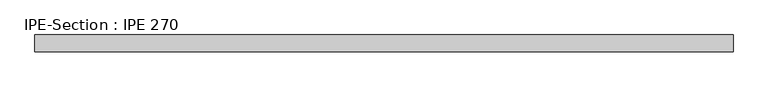
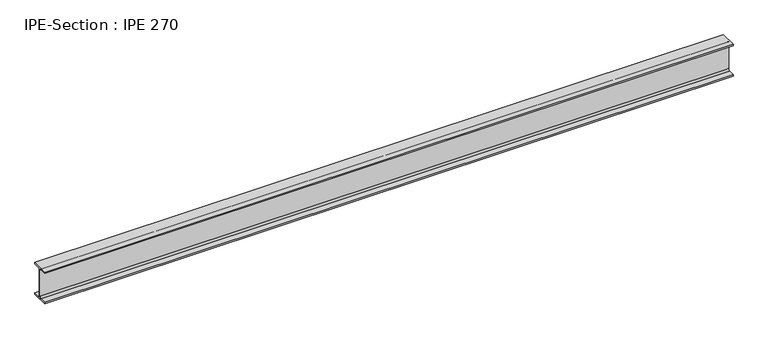
"""IFC4 building model written with IfcOpenShell, lengths in millimetres: beam geometry, IPE-Section : IPE 270."""

from ifc_helpers import new_model, si_unit, point, frame, frame_2d, origin, place, context, project, spatial, polyline, circle_curve, trimmed, segment, composite_curve, outline, extrude, source, transform, mapped, element, save


def ipe_section_ipe_270_8fe39636(model_context):
    return source(origin(), model_context, "Body", "SweptSolid", [
        extrude(outline(composite_curve([segment(polyline([(-67.5, -124.8), (-18.3, -124.8)]), True, "CONTINUOUS"), segment(trimmed(circle_curve(frame_2d((-18.3, -109.8)), 15.0), [point((-18.3, -124.8))], [point((-3.3, -109.8))], True, "CARTESIAN"), True, "CONTINUOUS"), segment(polyline([(-3.3, -109.8), (-3.3, 109.8)]), True, "CONTINUOUS"), segment(trimmed(circle_curve(frame_2d((-18.3, 109.8)), 15.0), [point((-3.3, 109.8))], [point((-18.3, 124.8))], True, "CARTESIAN"), True, "CONTINUOUS"), segment(polyline([(-18.3, 124.8), (-67.5, 124.8), (-67.5, 135.0), (67.5, 135.0), (67.5, 124.8), (18.3, 124.8)]), True, "CONTINUOUS"), segment(trimmed(circle_curve(frame_2d((18.3, 109.8)), 15.0), [point((18.3, 124.8))], [point((3.3, 109.8))], True, "CARTESIAN"), True, "CONTINUOUS"), segment(polyline([(3.3, 109.8), (3.3, -109.8)]), True, "CONTINUOUS"), segment(trimmed(circle_curve(frame_2d((18.3, -109.8)), 15.0), [point((3.3, -109.8))], [point((18.3, -124.8))], True, "CARTESIAN"), True, "CONTINUOUS"), segment(polyline([(18.3, -124.8), (67.5, -124.8), (67.5, -135.0), (-67.5, -135.0), (-67.5, -124.8)]), True, "CONTINUOUS")], self_intersect=False)), frame((-2787.6562017, 0.0, 0.0), z_axis=(1.0, 0.0, 0.0), x_axis=(0.0, 1.0, 0.0)), (0.0, 0.0, 1.0), 5566.3815757),
    ])


if __name__ == "__main__":
    model = new_model("IFC4")
    model_context = context("Model", 3, world=origin())
    ifc_project = project(units=[si_unit("LENGTHUNIT", "METRE", prefix="MILLI")], contexts=[model_context])
    site = spatial("IfcSite", under=ifc_project)
    building = spatial("IfcBuilding", under=site)
    placement = place(None, origin())
    ipe_section_ipe_270_shape = ipe_section_ipe_270_8fe39636(model_context)
    element("IfcBeam", 1, ObjectType="IPE-Section : IPE 270", at=placement, inside=building, context=model_context, shape_type="MappedRepresentation", body=[
        mapped(ipe_section_ipe_270_shape, transform((0.0, 0.0, 0.0), x_axis=(1.0, 0.0, 0.0), y_axis=(0.0, 1.0, 0.0), z_axis=(0.0, 0.0, 1.0))),
    ])
    save(model, "model.ifc")
